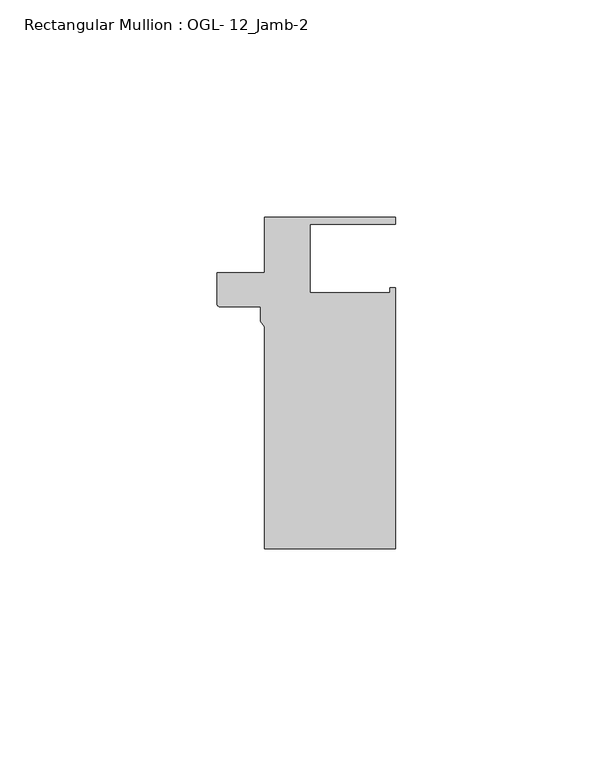
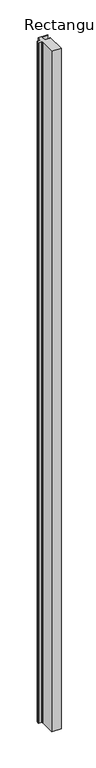
"""IFC4 building model written with IfcOpenShell, lengths in millimetres: member geometry, Rectangular Mullion : OGL- 12_Jamb-2."""

from ifc_helpers import new_model, si_unit, point, frame, frame_2d, origin, place, context, project, spatial, polyline, circle_curve, trimmed, segment, composite_curve, outline, extrude, source, transform, mapped, element, save


def rectangular_mullion_ogl_12_jamb_2_fbe08ddf(model_context):
    return source(origin(), model_context, "Body", "SweptSolid", [
        extrude(outline(composite_curve([segment(polyline([(8.42e-05, 25.4), (8.42e-05, 38.100016), (30.1498825, 38.100016), (30.1498825, 36.512516), (10.4970964, 36.512516), (10.4970964, 20.8257348), (28.9030475, 20.8257348), (28.9030475, 21.9710976), (30.1589768, 21.9710976), (30.1589768, -38.0996792), (0.0, -38.0996792), (0.0, 12.9738568), (-0.9248338, 14.2467814), (-0.9248338, 17.5955253), (-10.2698387, 17.5955253)]), True, "CONTINUOUS"), segment(trimmed(circle_curve(frame_2d((-10.2698387, 18.1560373)), 0.560512), [point((-10.2698387, 17.5955253))], [point((-10.8303507, 18.1560373))], False, "CARTESIAN"), True, "CONTINUOUS"), segment(polyline([(-10.8303507, 18.1560373), (-10.8303507, 25.4), (8.42e-05, 25.4)]), True, "CONTINUOUS")], self_intersect=False)), frame((0.0, 0.0, -2339.9738578), z_axis=(0.0, 0.0, 1.0), x_axis=(1.0, 0.0, 0.0)), (0.0, 0.0, 1.0), 2339.9738578),
    ])


if __name__ == "__main__":
    model = new_model("IFC4")
    model_context = context("Model", 3, world=origin())
    ifc_project = project(units=[si_unit("LENGTHUNIT", "METRE", prefix="MILLI")], contexts=[model_context])
    site = spatial("IfcSite", under=ifc_project)
    building = spatial("IfcBuilding", under=site)
    placement = place(None, origin())
    rectangular_mullion_ogl_12_jamb_2_shape = rectangular_mullion_ogl_12_jamb_2_fbe08ddf(model_context)
    element("IfcMember", 1, ObjectType="Rectangular Mullion : OGL- 12_Jamb-2", at=placement, inside=building, context=model_context, shape_type="MappedRepresentation", body=[
        mapped(rectangular_mullion_ogl_12_jamb_2_shape, transform((0.0, 0.0, 0.0), x_axis=(1.0, 0.0, 0.0), y_axis=(0.0, 1.0, 0.0), z_axis=(0.0, 0.0, 1.0))),
    ])
    save(model, "model.ifc")
